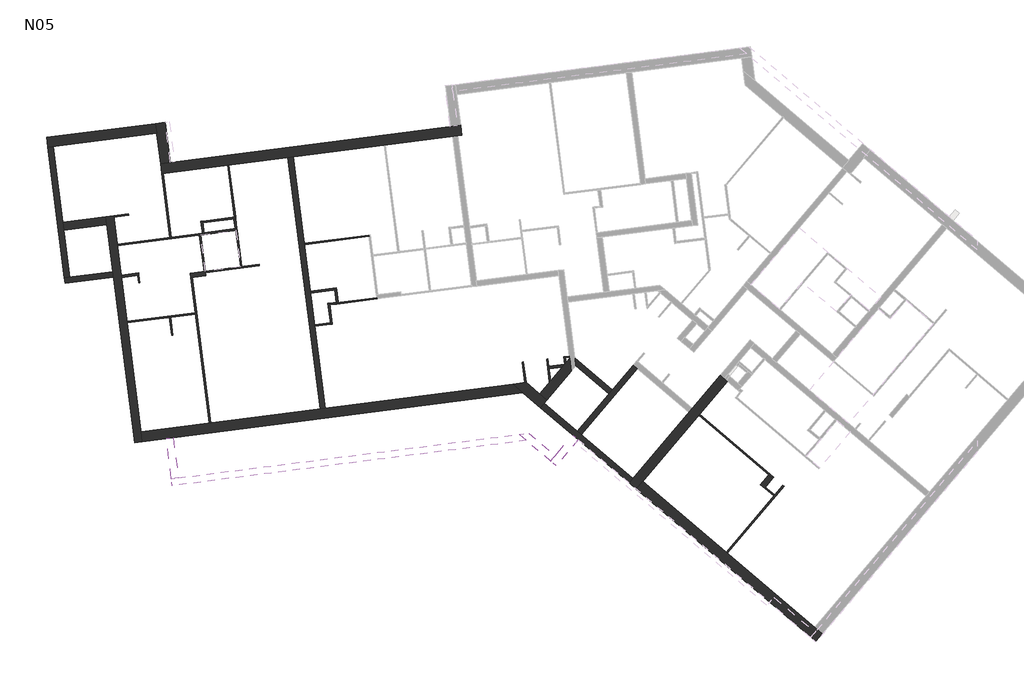
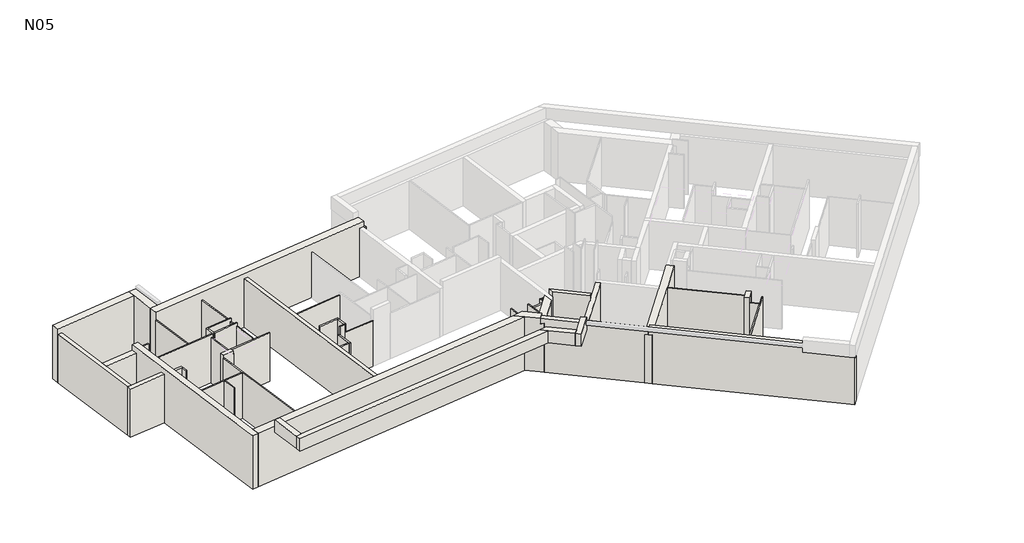
# One storey, part 1 of 3: 53 walls.
"""IFC4 building model written with IfcOpenShell, lengths in millimetres."""

from ifc_helpers import new_model, si_unit, frame, origin, place, context, project, spatial, polyline, outline, extrude, faceted_brep, element, save

model = new_model("IFC4")

# Units and contexts
model_context = context("Model", 3, world=origin())
ifc_project = project(units=[si_unit("LENGTHUNIT", "METRE", prefix="MILLI")], contexts=[model_context])

# Site, building, storey
site = spatial("IfcSite", under=ifc_project)
building = spatial("IfcBuilding", under=site)
storey = spatial("IfcBuildingStorey", under=building, Name="N05", Elevation=14150.0)

# Walls
placement = place(None, origin())
element("IfcWall", 1, at=placement, inside=storey, context=model_context, shape_type="Brep", body=[
    faceted_brep([(5758.2370181, 14194.8714572, 14150.0), (-1162.1110386, 13310.3917107, 14150.0), (-1360.4972796, 13285.0362502, 14150.0), (-7972.5911161, 12439.9540329, 14150.0), (-7972.5911161, 12439.9540329, 16920.0), (5758.2370181, 14194.8714572, 16920.0), (6140.2224716, 13870.6827304, 14150.0), (6140.2224716, 13870.6827304, 16920.0), (-7925.683514, 12072.939487, 16920.0), (-7925.683514, 12072.939487, 14150.0)], [[[0, 1, 2, 3, 4, 5]], [[6, 7, 8, 9]], [[3, 2, 1, 0, 6, 9]], [[5, 4, 8, 7]], [[0, 5, 7, 6]], [[4, 3, 9, 8]]]),
])
element("IfcWall", 2, at=placement, inside=storey, context=model_context, shape_type="Brep", body=[
    faceted_brep([(-7209.209497, 21973.6590063, 14150.0), (-6842.1949512, 22020.5666083, 14150.0), (-2547.1328334, 22569.5123292, 14150.0), (-2348.7465924, 22594.8677898, 14150.0), (3538.3651094, 23347.2910817, 14150.0), (3736.7513504, 23372.6465422, 14150.0), (3885.5410312, 23391.6631376, 14150.0), (3885.5410312, 23391.6631376, 16590.0), (3756.5899745, 23375.1820883, 16590.0), (3756.5899745, 23375.1820883, 16920.0), (-7209.209497, 21973.6590063, 16920.0), (-7256.1170991, 22340.6735521, 14150.0), (-7256.1170991, 22340.6735521, 16920.0), (-6889.1025532, 22387.5811542, 16920.0), (3709.6823725, 23742.1966341, 16920.0), (3709.6823725, 23742.1966341, 16590.0), (3838.6334292, 23758.6776835, 16590.0), (3838.6334292, 23758.6776835, 14150.0), (3471.6188833, 23711.7700815, 14150.0), (-6889.1025532, 22387.5811542, 14150.0)], [[[0, 1, 2, 3, 4, 5, 6, 7, 8, 9, 10]], [[11, 12, 13, 14, 15, 16, 17, 18, 19]], [[6, 5, 4, 3, 2, 1, 0, 11, 19, 18, 17]], [[10, 9, 14, 13, 12]], [[0, 10, 12, 11]], [[15, 8, 7, 16]], [[7, 6, 17, 16]], [[9, 8, 15, 14]]]),
])
element("IfcWall", 3, at=placement, inside=storey, context=model_context, shape_type="Brep", body=[
    faceted_brep([(17205.2980918, 4965.1106098, 14150.0), (17115.2550501, 5041.5295906, 14150.0), (16923.1988078, 5204.5265532, 14150.0), (10566.9673175, 10599.0214892, 14150.0), (10566.9673175, 10599.0214892, 16650.0), (10433.5419804, 10712.2587597, 16650.0), (10433.5419804, 10712.2587597, 16920.0), (15497.4537779, 6414.5476727, 16920.0), (17022.3147725, 5120.407438, 16920.0), (17022.3147725, 5120.407438, 16590.0), (17205.2980918, 4965.1106098, 16590.0), (17205.2980918, 4965.1106098, 14300.0), (10327.551374, 10316.9222052, 14150.0), (16683.7828644, 4922.4272692, 14150.0), (16965.8821484, 4683.0113258, 14150.0), (16965.8821484, 4683.0113258, 16590.0), (15258.0378346, 6132.4483886, 16590.0), (15258.0378346, 6132.4483886, 16920.0), (10194.126037, 10430.1594757, 16920.0), (10194.126037, 10430.1594757, 16650.0), (10327.551374, 10316.9222052, 16650.0), (10336.4814628, 10597.8941851, 16920.0), (15413.3346628, 6315.431708, 16920.0), (16938.1956572, 5021.2914733, 16920.0), (10336.4814628, 10597.8941851, 16650.0), (15413.3346628, 6315.431708, 16590.0), (16938.1956572, 5021.2914733, 16590.0)], [[[0, 1, 2, 3, 4, 5, 6, 7, 8, 9, 10, 11]], [[12, 13, 14, 15, 16, 17, 18, 19, 20]], [[3, 2, 1, 0, 14, 13, 12]], [[8, 7, 6, 21, 18, 17, 22, 23]], [[18, 21, 6, 5, 24, 19]], [[4, 3, 12, 20]], [[19, 24, 5, 4, 20]], [[25, 26, 23, 22]], [[25, 22, 17, 16]], [[9, 8, 23, 26]], [[15, 10, 9, 26, 25, 16]], [[14, 0, 11, 10, 15]]]),
])
element("IfcWall", 4, at=placement, inside=storey, context=model_context, shape_type="Brep", body=[
    faceted_brep([(10327.551374, 10316.9222052, 14150.0), (10566.9673175, 10599.0214892, 14150.0), (12637.5916931, 13038.7990805, 14150.0), (12669.945199, 13076.9206054, 14150.0), (13700.7356476, 14291.4815212, 14150.0), (13700.7356476, 14291.4815212, 16650.0), (12669.945199, 13076.9206054, 16650.0), (12637.5916931, 13038.7990805, 16650.0), (10566.9673175, 10599.0214892, 16650.0), (10327.551374, 10316.9222052, 16650.0), (13433.8849736, 14517.9560622, 14150.0), (12403.0945249, 13303.3951464, 14150.0), (12273.6805015, 13150.909047, 14150.0), (10203.0561258, 10711.1314557, 14150.0), (10060.7007, 10543.3967463, 14150.0), (10060.7007, 10543.3967463, 16650.0), (10203.0561258, 10711.1314557, 16650.0), (12273.6805015, 13150.909047, 16650.0), (12403.0945249, 13303.3951464, 16650.0), (13433.8849736, 14517.9560622, 16650.0), (10194.126037, 10430.1594757, 14150.0), (13586.371073, 14388.5420388, 14150.0), (13647.3655128, 14336.7764294, 14150.0), (13647.3655128, 14336.7764294, 16650.0), (10194.126037, 10430.1594757, 16650.0)], [[[0, 1, 2, 3, 4, 5, 6, 7, 8, 9]], [[10, 11, 12, 13, 14, 15, 16, 17, 18, 19]], [[4, 3, 2, 1, 0, 20, 14, 13, 12, 11, 10, 21, 22]], [[9, 8, 7, 6, 5, 23, 19, 18, 17, 16, 15, 24]], [[0, 9, 24, 15, 14, 20]], [[5, 4, 22, 21, 10, 19, 23]]]),
])
element("IfcWall", 5, at=placement, inside=storey, context=model_context, shape_type="SweptSolid", body=[
    extrude(outline(polyline([(8144.4937831, 12458.2207726), (10215.1181588, 14897.9983639), (10367.6042582, 14768.5843405), (8296.9798826, 12328.8067492), (8144.4937831, 12458.2207726)])), frame((0.0, 0.0, 14150.0), z_axis=(0.0, 0.0, 1.0), x_axis=(1.0, 0.0, 0.0)), (0.0, 0.0, 1.0), 2500.0),
])
element("IfcWall", 6, at=placement, inside=storey, context=model_context, shape_type="Brep", body=[
    faceted_brep([(7021.6826483, 13607.8829857, 14150.0), (7925.3724793, 14672.6836444, 14150.0), (7925.3724793, 14672.6836444, 16650.0), (7021.6826483, 13607.8829857, 16650.0), (6754.8319743, 13834.3575268, 14150.0), (6754.8319743, 13834.3575268, 16650.0), (7865.2890942, 15142.7881766, 16650.0), (7865.2890942, 15142.7881766, 14150.0), (7734.3217869, 14988.4718721, 14150.0), (7690.5124995, 14936.8522163, 14150.0), (7594.5428873, 14823.773035, 14150.0), (6888.2573113, 13721.1202563, 16650.0)], [[[0, 1, 2, 3]], [[4, 5, 6, 7, 8, 9, 10]], [[1, 0, 4, 10, 9, 8, 7]], [[3, 2, 6, 5, 11]], [[0, 3, 11, 5, 4]], [[1, 7, 6, 2]]]),
])
element("IfcWall", 7, at=placement, inside=storey, context=model_context, shape_type="Brep", body=[
    faceted_brep([(10203.0561258, 10711.1314557, 14150.0), (8296.9798826, 12328.8067492, 14150.0), (8144.4937831, 12458.2207726, 14150.0), (6924.6221307, 13493.5184111, 14150.0), (6924.6221307, 13493.5184111, 16650.0), (6791.1967937, 13606.7556817, 16650.0), (6791.1967937, 13606.7556817, 16920.0), (6924.6221307, 13493.5184111, 16920.0), (10302.1720905, 10627.0123404, 16920.0), (10336.4814628, 10597.8941851, 16920.0), (10336.4814628, 10597.8941851, 16650.0), (10203.0561258, 10711.1314557, 16650.0), (6782.2667049, 13325.7837017, 14150.0), (10060.7007, 10543.3967463, 14150.0), (10060.7007, 10543.3967463, 16650.0), (10194.126037, 10430.1594757, 16650.0), (10194.126037, 10430.1594757, 16920.0), (10159.8166646, 10459.277631, 16920.0), (6782.2667049, 13325.7837017, 16920.0), (6648.8413679, 13439.0209723, 16920.0), (6648.8413679, 13439.0209723, 16650.0), (6782.2667049, 13325.7837017, 16650.0)], [[[0, 1, 2, 3, 4, 5, 6, 7, 8, 9, 10, 11]], [[12, 13, 14, 15, 16, 17, 18, 19, 20, 21]], [[3, 2, 1, 0, 13, 12]], [[9, 8, 7, 6, 19, 18, 17, 16]], [[19, 6, 5, 20]], [[20, 5, 4, 21]], [[4, 3, 12, 21]], [[9, 16, 15, 10]], [[10, 15, 14, 11]], [[13, 0, 11, 14]]]),
])
element("IfcWall", 8, at=placement, inside=storey, context=model_context, shape_type="Brep", body=[
    faceted_brep([(7021.6826483, 13607.8829857, 14150.0), (6888.2573113, 13721.1202563, 14150.0), (6754.8319743, 13834.3575268, 14150.0), (6255.2046664, 14258.3881787, 14150.0), (6255.2046664, 14258.3881787, 16920.0), (6888.2573113, 13721.1202563, 16920.0), (6888.2573113, 13721.1202563, 16650.0), (7021.6826483, 13607.8829857, 16650.0), (6782.2667049, 13325.7837017, 14150.0), (6782.2667049, 13325.7837017, 16650.0), (6648.8413679, 13439.0209723, 16650.0), (6648.8413679, 13439.0209723, 16920.0), (6140.2224716, 13870.6827304, 16920.0), (5758.2370181, 14194.8714572, 16920.0), (5758.2370181, 14194.8714572, 14150.0), (6140.2224716, 13870.6827304, 14150.0), (6648.8413679, 13439.0209723, 14150.0), (6924.6221307, 13493.5184111, 14150.0), (6791.1967937, 13606.7556817, 16920.0), (6791.1967937, 13606.7556817, 16650.0), (6924.6221307, 13493.5184111, 16650.0)], [[[0, 1, 2, 3, 4, 5, 6, 7]], [[8, 9, 10, 11, 12, 13, 14, 15, 16]], [[3, 2, 1, 0, 17, 8, 16, 15, 14]], [[5, 4, 13, 12, 11, 18]], [[6, 5, 18, 11, 10, 19]], [[6, 19, 10, 9, 20, 7]], [[0, 7, 20, 9, 8, 17]], [[4, 3, 14, 13]]]),
])
element("IfcWall", 9, at=placement, inside=storey, context=model_context, shape_type="Brep", body=[
    faceted_brep([(8089.348342, 14865.8933062, 14150.0), (9309.2199944, 13830.5956677, 14150.0), (9309.2199944, 13830.5956677, 16920.0), (8089.348342, 14865.8933062, 16920.0), (8066.276266, 15147.7934292, 14150.0), (8066.276266, 15147.7934292, 16920.0), (9438.6340179, 13983.0817672, 16920.0), (9438.6340179, 13983.0817672, 14150.0), (8100.609629, 14879.1622679, 14150.0), (8100.609629, 14879.1622679, 16920.0), (8100.609629, 14879.1622679, 16650.0)], [[[0, 1, 2, 3]], [[4, 5, 6, 7]], [[1, 0, 8, 4, 7]], [[3, 2, 6, 5, 9]], [[2, 1, 7, 6]], [[0, 3, 9, 10, 8]], [[9, 5, 4, 8, 10]]]),
])
element("IfcWall", 10, at=placement, inside=storey, context=model_context, shape_type="Brep", body=[
    faceted_brep([(5996.4358323, 12340.1039215, 16590.0), (-6597.3795676, 10730.5064617, 16590.0), (-6855.2816809, 10697.544363, 16590.0), (-6855.2816809, 10697.544363, 17230.0), (-6597.3795676, 10730.5064617, 17230.0), (5996.4358323, 12340.1039215, 17230.0), (6264.8580429, 12112.2956269, 16590.0), (6264.8580429, 12112.2956269, 17230.0), (-6822.3195822, 10439.6422497, 17230.0), (-6822.3195822, 10439.6422497, 16590.0)], [[[0, 1, 2, 3, 4, 5]], [[6, 7, 8, 9]], [[2, 1, 0, 6, 9]], [[5, 4, 3, 8, 7]], [[3, 2, 9, 8]], [[0, 5, 7, 6]]]),
])
element("IfcWall", 11, at=placement, inside=storey, context=model_context, shape_type="SweptSolid", body=[
    extrude(outline(polyline([(-6787.5455217, 12218.4032693), (-6597.3795676, 10730.5064617), (-6855.2816809, 10697.544363), (-7045.447635, 12185.4411706), (-6787.5455217, 12218.4032693)])), frame((0.0, 0.0, 16590.0), z_axis=(0.0, 0.0, 1.0), x_axis=(1.0, 0.0, 0.0)), (0.0, 0.0, 1.0), 640.0),
])
element("IfcWall", 12, at=placement, inside=storey, context=model_context, shape_type="Brep", body=[
    faceted_brep([(-11422.5288425, 22947.3623567, 14150.0), (-10805.8258082, 18122.1533431, 14150.0), (-10805.8258082, 18122.1533431, 16650.0), (-11422.5288425, 22947.3623567, 16650.0), (-11224.1426015, 22972.7178173, 14150.0), (-11224.1426015, 22972.7178173, 16650.0), (-10866.6306077, 20175.4718191, 16650.0), (-10829.8651899, 19887.8117696, 16650.0), (-10607.4395672, 18147.5088036, 16650.0), (-10607.4395672, 18147.5088036, 15950.0), (-10607.4395672, 18147.5088036, 14150.0), (-10829.8651899, 19887.8117696, 14150.0), (-10866.6306077, 20175.4718191, 14150.0)], [[[0, 1, 2, 3]], [[4, 5, 6, 7, 8, 9, 10, 11, 12]], [[1, 0, 4, 12, 11, 10]], [[3, 2, 8, 7, 6, 5]], [[0, 3, 5, 4]], [[2, 1, 10, 9, 8]]]),
])
element("IfcWall", 13, at=placement, inside=storey, context=model_context, shape_type="Brep", body=[
    faceted_brep([(-9279.5406797, 20378.3155035, 14150.0), (-9242.7752619, 20090.655454, 14150.0), (-9020.3496391, 18350.352488, 14150.0), (-8994.9941786, 18151.966247, 14150.0), (-8213.3435635, 12036.1740692, 14150.0), (-8213.3435635, 12036.1740692, 16920.0), (-8260.2511655, 12403.1886151, 16920.0), (-9279.5406797, 20378.3155035, 16920.0), (-9279.5406797, 20378.3155035, 16650.0), (-8991.8806302, 20415.0809213, 14150.0), (-8991.8806302, 20415.0809213, 16650.0), (-8991.8806302, 20415.0809213, 16920.0), (-7972.5911161, 12439.9540329, 16920.0), (-7925.683514, 12072.939487, 16920.0), (-7925.683514, 12072.939487, 14150.0), (-7972.5911161, 12439.9540329, 14150.0), (-8985.5417651, 20365.484361, 14150.0)], [[[0, 1, 2, 3, 4, 5, 6, 7, 8]], [[9, 10, 11, 12, 13, 14, 15, 16]], [[4, 3, 2, 1, 0, 9, 16, 15, 14]], [[7, 6, 5, 13, 12, 11]], [[5, 4, 14, 13]], [[0, 8, 7, 11, 10, 9]]]),
])
element("IfcWall", 14, at=placement, inside=storey, context=model_context, shape_type="Brep", body=[
    faceted_brep([(-6889.1025532, 22387.5811542, 14150.0), (-7032.3609053, 23508.4634158, 14150.0), (-7079.2685073, 23875.4779617, 14150.0), (-7079.2685073, 23875.4779617, 16920.0), (-6889.1025532, 22387.5811542, 16920.0), (-7256.1170991, 22340.6735521, 14150.0), (-7256.1170991, 22340.6735521, 16650.0), (-7256.1170991, 22340.6735521, 16920.0), (-7399.3754512, 23461.5558138, 16920.0), (-7446.2830532, 23828.5703597, 16920.0), (-7446.2830532, 23828.5703597, 14150.0), (-7399.3754512, 23461.5558138, 14150.0), (-6908.9411773, 22385.0456081, 16920.0)], [[[0, 1, 2, 3, 4]], [[5, 6, 7, 8, 9, 10, 11]], [[2, 1, 0, 5, 11, 10]], [[4, 3, 9, 8, 7, 12]], [[2, 10, 9, 3]], [[0, 4, 12, 7, 6, 5]]]),
])
element("IfcWall", 15, at=placement, inside=storey, context=model_context, shape_type="Brep", body=[
    faceted_brep([(-11422.5288425, 22947.3623567, 16920.0), (-11422.5288425, 22947.3623567, 16650.0), (-11422.5288425, 22947.3623567, 14150.0), (-11224.1426015, 22972.7178173, 14150.0), (-7399.3754512, 23461.5558138, 14150.0), (-7399.3754512, 23461.5558138, 16920.0), (-11469.4364445, 23314.3769026, 14150.0), (-11469.4364445, 23314.3769026, 14460.0), (-11469.4364445, 23314.3769026, 16920.0), (-7446.2830532, 23828.5703597, 16920.0), (-7446.2830532, 23828.5703597, 14150.0)], [[[0, 1, 2, 3, 4, 5]], [[6, 7, 8, 9, 10]], [[4, 3, 2, 6, 10]], [[0, 5, 9, 8]], [[5, 4, 10, 9]], [[0, 8, 7, 6, 2, 1]]]),
])
element("IfcWall", 16, at=placement, inside=storey, context=model_context, shape_type="Brep", body=[
    faceted_brep([(-10780.4703476, 17923.7671021, 14150.0), (-8994.9941786, 18151.966247, 14150.0), (-8994.9941786, 18151.966247, 16650.0), (-10780.4703476, 17923.7671021, 16650.0), (-10805.8258082, 18122.1533431, 14150.0), (-10805.8258082, 18122.1533431, 16650.0), (-10607.4395672, 18147.5088036, 16650.0), (-9020.3496391, 18350.352488, 16650.0), (-9020.3496391, 18350.352488, 14150.0), (-10607.4395672, 18147.5088036, 14150.0)], [[[0, 1, 2, 3]], [[4, 5, 6, 7, 8, 9]], [[1, 0, 4, 9, 8]], [[3, 2, 7, 6, 5]], [[0, 3, 5, 4]], [[2, 1, 8, 7]]]),
])
element("IfcWall", 17, at=placement, inside=storey, context=model_context, shape_type="Brep", body=[
    faceted_brep([(-1162.1110386, 13310.3917107, 14150.0), (-1547.514039, 16325.862574, 14150.0), (-1556.3884502, 16395.2977584, 14150.0), (-1705.3517809, 17560.8169243, 14150.0), (-1714.2261921, 17630.2521086, 14150.0), (-1934.1848124, 19351.2527494, 14150.0), (-1940.5236775, 19400.8493096, 14150.0), (-2348.7465924, 22594.8677898, 14150.0), (-2348.7465924, 22594.8677898, 16650.0), (-1162.1110386, 13310.3917107, 16650.0), (-1360.4972796, 13285.0362502, 14150.0), (-1360.4972796, 13285.0362502, 16650.0), (-2547.1328334, 22569.5123292, 16650.0), (-2547.1328334, 22569.5123292, 14150.0)], [[[0, 1, 2, 3, 4, 5, 6, 7, 8, 9]], [[10, 11, 12, 13]], [[7, 6, 5, 4, 3, 2, 1, 0, 10, 13]], [[9, 8, 12, 11]], [[8, 7, 13, 12]], [[0, 9, 11, 10]]]),
])
element("IfcWall", 18, at=placement, inside=storey, context=model_context, shape_type="Brep", body=[
    faceted_brep([(7979.2654424, 12309.8981668, 17230.0), (7979.2654424, 12309.8981668, 16590.0), (7332.195325, 11547.4676695, 16590.0), (7163.9570945, 11349.2357402, 16590.0), (7163.9570945, 11349.2357402, 17230.0), (7332.195325, 11547.4676695, 17230.0), (8177.4973717, 12141.6599362, 16590.0), (8177.4973717, 12141.6599362, 17230.0), (7362.1890238, 11180.9975097, 17230.0), (7362.1890238, 11180.9975097, 16590.0)], [[[0, 1, 2, 3, 4, 5]], [[6, 7, 8, 9]], [[3, 2, 1, 6, 9]], [[0, 5, 4, 8, 7]], [[0, 7, 6, 1]], [[4, 3, 9, 8]]]),
])
element("IfcWall", 19, at=placement, inside=storey, context=model_context, shape_type="Brep", body=[
    faceted_brep([(5996.4358323, 12340.1039215, 16590.0), (6264.8580429, 12112.2956269, 16590.0), (7163.9570945, 11349.2357402, 16590.0), (7163.9570945, 11349.2357402, 17230.0), (6264.8580429, 12112.2956269, 17230.0), (5996.4358323, 12340.1039215, 17230.0), (6345.6563419, 12384.7372933, 16590.0), (6345.6563419, 12384.7372933, 17230.0), (7332.195325, 11547.4676695, 17230.0), (7332.195325, 11547.4676695, 16590.0)], [[[0, 1, 2, 3, 4, 5]], [[6, 7, 8, 9]], [[2, 1, 0, 6, 9]], [[5, 4, 3, 8, 7]], [[3, 2, 9, 8]], [[0, 5, 7, 6]]]),
])
element("IfcWall", 20, at=placement, inside=storey, context=model_context, shape_type="SweptSolid", body=[
    extrude(outline(polyline([(-9242.7752619, 20090.655454), (-10829.8651899, 19887.8117696), (-10866.6306077, 20175.4718191), (-9279.5406797, 20378.3155035), (-9242.7752619, 20090.655454)])), frame((0.0, 0.0, 14150.0), z_axis=(0.0, 0.0, 1.0), x_axis=(1.0, 0.0, 0.0)), (0.0, 0.0, 1.0), 2500.0),
])
element("IfcWall", 21, ObjectType="CLO 10", at=placement, inside=storey, context=model_context, shape_type="Brep", body=[
    faceted_brep([(-8699.616304, 18128.3458433, 14150.0), (-8104.457581, 18204.4122249, 14150.0), (-8054.8610207, 18210.7510901, 14150.0), (-8054.8610207, 18210.7510901, 16650.0), (-8104.457581, 18204.4122249, 16650.0), (-8699.616304, 18128.3458433, 16650.0), (-8712.2940343, 18227.5389638, 14150.0), (-8712.2940343, 18227.5389638, 16650.0), (-8067.538751, 18309.9442106, 16650.0), (-8067.538751, 18309.9442106, 14150.0)], [[[0, 1, 2, 3, 4, 5]], [[6, 7, 8, 9]], [[2, 1, 0, 6, 9]], [[5, 4, 3, 8, 7]], [[0, 5, 7, 6]], [[3, 2, 9, 8]]]),
])
element("IfcWall", 22, ObjectType="CLO 10", at=placement, inside=storey, context=model_context, shape_type="SweptSolid", body=[
    extrude(outline(polyline([(7095.3537765, 14860.7858346), (7690.5124995, 14936.8522163), (7594.5428873, 14823.773035), (7108.0315067, 14761.5927141), (7095.3537765, 14860.7858346)])), frame((0.0, 0.0, 14150.0), z_axis=(0.0, 0.0, 1.0), x_axis=(1.0, 0.0, 0.0)), (0.0, 0.0, 1.0), 2350.0),
])
element("IfcWall", 23, ObjectType="CLO 5", at=placement, inside=storey, context=model_context, shape_type="Brep", body=[
    faceted_brep([(12637.5916931, 13038.7990805, 14150.0), (15224.3160244, 10843.461902, 14150.0), (15376.8021239, 10714.0478785, 14150.0), (15376.8021239, 10714.0478785, 16650.0), (12637.5916931, 13038.7990805, 16650.0), (12669.945199, 13076.9206054, 14150.0), (12669.945199, 13076.9206054, 16650.0), (15409.1556298, 10752.1694034, 16650.0), (15409.1556298, 10752.1694034, 14150.0)], [[[0, 1, 2, 3, 4]], [[5, 6, 7, 8]], [[2, 1, 0, 5, 8]], [[3, 2, 8, 7]], [[4, 3, 7, 6]], [[0, 4, 6, 5]]]),
])
element("IfcWall", 24, ObjectType="CLO 5", at=placement, inside=storey, context=model_context, shape_type="Brep", body=[
    faceted_brep([(15752.2493535, 10460.9878505, 14150.0), (15444.345504, 10098.1905604, 14150.0), (15411.9919981, 10060.0690355, 14150.0), (13649.271472, 7983.0887344, 14150.0), (13649.271472, 7983.0887344, 16650.0), (15411.9919981, 10060.0690355, 16650.0), (15444.345504, 10098.1905604, 16650.0), (15752.2493535, 10460.9878505, 16650.0), (15790.3708784, 10428.6343447, 14150.0), (15790.3708784, 10428.6343447, 16650.0), (13687.3929969, 7950.7352285, 16650.0), (13687.3929969, 7950.7352285, 14150.0)], [[[0, 1, 2, 3, 4, 5, 6, 7]], [[8, 9, 10, 11]], [[3, 2, 1, 0, 8, 11]], [[4, 3, 11, 10]], [[7, 6, 5, 4, 10, 9]], [[0, 7, 9, 8]]]),
])
element("IfcWall", 25, ObjectType="CLO 5", at=placement, inside=storey, context=model_context, shape_type="SweptSolid", body=[
    extrude(outline(polyline([(-8070.2277092, 17936.5907996), (-8104.457581, 18204.4122249), (-8054.8610207, 18210.7510901), (-8020.631149, 17942.9296647), (-8070.2277092, 17936.5907996)])), frame((0.0, 0.0, 14150.0), z_axis=(0.0, 0.0, 1.0), x_axis=(1.0, 0.0, 0.0)), (0.0, 0.0, 1.0), 2500.0),
])
element("IfcWall", 26, ObjectType="CLO 5", at=placement, inside=storey, context=model_context, shape_type="Brep", body=[
    faceted_brep([(-3604.7314669, 18618.2142485, 14150.0), (-4249.4867502, 18535.8090017, 14150.0), (-4299.0833104, 18529.4701366, 14150.0), (-5598.5130803, 18363.3918839, 14150.0), (-5598.5130803, 18363.3918839, 16500.0), (-5623.3113604, 18360.2224513, 16500.0), (-5623.3113604, 18360.2224513, 16650.0), (-3604.7314669, 18618.2142485, 16650.0), (-3598.3926018, 18568.6176883, 14150.0), (-3598.3926018, 18568.6176883, 16650.0), (-5616.9724953, 18310.625891, 16650.0), (-5616.9724953, 18310.625891, 16500.0), (-5592.1742151, 18313.7953236, 16500.0), (-5592.1742151, 18313.7953236, 14150.0)], [[[0, 1, 2, 3, 4, 5, 6, 7]], [[8, 9, 10, 11, 12, 13]], [[3, 2, 1, 0, 8, 13]], [[7, 6, 10, 9]], [[0, 7, 9, 8]], [[6, 5, 11, 10]], [[11, 5, 4, 12]], [[4, 3, 13, 12]]]),
])
element("IfcWall", 27, ObjectType="CLO 5", at=placement, inside=storey, context=model_context, shape_type="Brep", body=[
    faceted_brep([(-8851.1578242, 19314.0372837, 14150.0), (-5819.9355291, 19701.453452, 14150.0), (-5770.3389689, 19707.7923171, 14150.0), (-5700.9037845, 19716.6667283, 14150.0), (-5700.9037845, 19716.6667283, 16650.0), (-8851.1578242, 19314.0372837, 16650.0), (-8857.4966893, 19363.633844, 14150.0), (-8857.4966893, 19363.633844, 16650.0), (-5707.2426497, 19766.2632885, 16650.0), (-5707.2426497, 19766.2632885, 14150.0), (-6857.8829562, 19619.2016035, 14150.0), (-6907.4795165, 19612.8627383, 14150.0)], [[[0, 1, 2, 3, 4, 5]], [[6, 7, 8, 9, 10, 11]], [[3, 2, 1, 0, 6, 11, 10, 9]], [[5, 4, 8, 7]], [[0, 5, 7, 6]], [[4, 3, 9, 8]]]),
])
element("IfcWall", 28, ObjectType="CLO 5", at=placement, inside=storey, context=model_context, shape_type="Brep", body=[
    faceted_brep([(-5819.9355291, 19701.453452, 14150.0), (-5648.1096405, 18357.0530187, 14150.0), (-5648.1096405, 18357.0530187, 16500.0), (-5819.9355291, 19701.453452, 16500.0), (-5770.3389689, 19707.7923171, 14150.0), (-5770.3389689, 19707.7923171, 16500.0), (-5598.5130803, 18363.3918839, 16500.0), (-5598.5130803, 18363.3918839, 14150.0), (-5623.3113604, 18360.2224513, 16500.0)], [[[0, 1, 2, 3]], [[4, 5, 6, 7]], [[1, 0, 4, 7]], [[3, 2, 8, 6, 5]], [[0, 3, 5, 4]], [[2, 1, 7, 6, 8]]]),
])
element("IfcWall", 29, ObjectType="CLO 5", at=placement, inside=storey, context=model_context, shape_type="SweptSolid", body=[
    extrude(outline(polyline([(-6907.4795165, 19612.8627383), (-7209.209497, 21973.6590063), (-7159.6129368, 21979.9978714), (-6857.8829562, 19619.2016035), (-6907.4795165, 19612.8627383)])), frame((0.0, 0.0, 14150.0), z_axis=(0.0, 0.0, 1.0), x_axis=(1.0, 0.0, 0.0)), (0.0, 0.0, 1.0), 2350.0),
])
element("IfcWall", 30, ObjectType="CLO 5", at=placement, inside=storey, context=model_context, shape_type="Brep", body=[
    faceted_brep([(-8486.6304354, 16461.9014188, 14150.0), (-6933.3857445, 16660.4193921, 14150.0), (-6883.7891843, 16666.7582572, 14150.0), (-5961.2931636, 16784.6611488, 14150.0), (-5961.2931636, 16784.6611488, 16500.0), (-6883.7891843, 16666.7582572, 16500.0), (-6933.3857445, 16660.4193921, 16500.0), (-8486.6304354, 16461.9014188, 16500.0), (-8492.9693005, 16511.4979791, 14150.0), (-8492.9693005, 16511.4979791, 16500.0), (-5967.6320288, 16834.257709, 16500.0), (-5967.6320288, 16834.257709, 14150.0)], [[[0, 1, 2, 3, 4, 5, 6, 7]], [[8, 9, 10, 11]], [[3, 2, 1, 0, 8, 11]], [[7, 6, 5, 4, 10, 9]], [[0, 7, 9, 8]], [[4, 3, 11, 10]]]),
])
element("IfcWall", 31, ObjectType="CLO 5", at=placement, inside=storey, context=model_context, shape_type="Brep", body=[
    faceted_brep([(-6133.7102954, 18133.6875876, 14150.0), (-5967.6320288, 16834.257709, 14150.0), (-5961.2931636, 16784.6611488, 14150.0), (-5447.2538443, 12762.7137628, 14150.0), (-5447.2538443, 12762.7137628, 16500.0), (-5961.2931636, 16784.6611488, 16500.0), (-5967.6320288, 16834.257709, 16500.0), (-6133.7102954, 18133.6875876, 16500.0), (-6084.1137351, 18140.0264528, 14150.0), (-6084.1137351, 18140.0264528, 16500.0), (-5397.6572841, 12769.052628, 16500.0), (-5397.6572841, 12769.052628, 14150.0)], [[[0, 1, 2, 3, 4, 5, 6, 7]], [[8, 9, 10, 11]], [[3, 2, 1, 0, 8, 11]], [[4, 3, 11, 10]], [[7, 6, 5, 4, 10, 9]], [[0, 7, 9, 8]]]),
])
element("IfcWall", 32, ObjectType="CLO 5", at=placement, inside=storey, context=model_context, shape_type="Brep", body=[
    faceted_brep([(-6933.3857445, 16660.4193921, 14150.0), (-6848.4449517, 15995.8254847, 14150.0), (-6848.4449517, 15995.8254847, 16500.0), (-6933.3857445, 16660.4193921, 16500.0), (-6883.7891843, 16666.7582572, 14150.0), (-6883.7891843, 16666.7582572, 16250.0), (-6883.7891843, 16666.7582572, 16500.0), (-6798.8483914, 16002.1643499, 16500.0), (-6798.8483914, 16002.1643499, 14150.0)], [[[0, 1, 2, 3]], [[4, 5, 6, 7, 8]], [[1, 0, 4, 8]], [[2, 1, 8, 7]], [[3, 2, 7, 6]], [[0, 3, 6, 5, 4]]]),
])
element("IfcWall", 33, ObjectType="CLO 5", at=placement, inside=storey, context=model_context, shape_type="SweptSolid", body=[
    extrude(outline(polyline([(-4421.3126388, 19880.209435), (-4249.4867502, 18535.8090017), (-4299.0833104, 18529.4701366), (-4470.909199, 19873.8705698), (-4421.3126388, 19880.209435)])), frame((0.0, 0.0, 14150.0), z_axis=(0.0, 0.0, 1.0), x_axis=(1.0, 0.0, 0.0)), (0.0, 0.0, 1.0), 2350.0),
])
element("IfcWall", 34, ObjectType="CLO 5", at=placement, inside=storey, context=model_context, shape_type="SweptSolid", body=[
    extrude(outline(polyline([(-8439.9796023, 20435.2118776), (-8985.5417651, 20365.484361), (-8991.8806302, 20415.0809213), (-8446.3184675, 20484.8084378), (-8439.9796023, 20435.2118776)])), frame((0.0, 0.0, 14150.0), z_axis=(0.0, 0.0, 1.0), x_axis=(1.0, 0.0, 0.0)), (0.0, 0.0, 1.0), 2500.0),
])
element("IfcWall", 35, ObjectType="CLO 5", at=placement, inside=storey, context=model_context, shape_type="SweptSolid", body=[
    extrude(outline(polyline([(15411.9919981, 10060.0690355), (15068.8982743, 10351.2505884), (15101.2517802, 10389.3721132), (15444.345504, 10098.1905604), (15411.9919981, 10060.0690355)])), frame((0.0, 0.0, 14150.0), z_axis=(0.0, 0.0, 1.0), x_axis=(1.0, 0.0, 0.0)), (0.0, 0.0, 1.0), 2500.0),
])
element("IfcWall", 36, ObjectType="CLO 5", at=placement, inside=storey, context=model_context, shape_type="Brep", body=[
    faceted_brep([(7011.5273445, 15122.2683948, 14150.0), (7118.0981267, 14288.4370852, 14150.0), (7118.0981267, 14288.4370852, 16500.0), (7011.5273445, 15122.2683948, 16500.0), (7061.1239047, 15128.60726, 14150.0), (7061.1239047, 15128.60726, 16500.0), (7095.3537765, 14860.7858346, 16500.0), (7108.0315067, 14761.5927141, 16500.0), (7167.6946869, 14294.7759503, 16500.0), (7167.6946869, 14294.7759503, 14150.0), (7108.0315067, 14761.5927141, 14150.0), (7095.3537765, 14860.7858346, 14150.0)], [[[0, 1, 2, 3]], [[4, 5, 6, 7, 8, 9, 10, 11]], [[1, 0, 4, 11, 10, 9]], [[2, 1, 9, 8]], [[3, 2, 8, 7, 6, 5]], [[0, 3, 5, 4]]]),
])
element("IfcWall", 37, ObjectType="CLO 5", at=placement, inside=storey, context=model_context, shape_type="SweptSolid", body=[
    extrude(outline(polyline([(6158.7239449, 15013.2728171), (6255.2046664, 14258.3881787), (6205.6081061, 14252.0493135), (6109.1273846, 15006.9339519), (6158.7239449, 15013.2728171)])), frame((0.0, 0.0, 14150.0), z_axis=(0.0, 0.0, 1.0), x_axis=(1.0, 0.0, 0.0)), (0.0, 0.0, 1.0), 2500.0),
])
element("IfcWall", 38, ObjectType="CLO 5", at=placement, inside=storey, context=model_context, shape_type="Brep", body=[
    faceted_brep([(7734.3217869, 14988.4718721, 14150.0), (7712.2180531, 15161.4159465, 14150.0), (7705.879188, 15211.0125068, 14150.0), (7705.879188, 15211.0125068, 16500.0), (7712.2180531, 15161.4159465, 16500.0), (7734.3217869, 14988.4718721, 16500.0), (7690.5124995, 14936.8522163, 14150.0), (7690.5124995, 14936.8522163, 16500.0), (7656.2826277, 15204.6736416, 16500.0), (7656.2826277, 15204.6736416, 14150.0)], [[[0, 1, 2, 3, 4, 5]], [[6, 7, 8, 9]], [[2, 1, 0, 6, 9]], [[5, 4, 3, 8, 7]], [[3, 2, 9, 8]], [[0, 5, 7, 6]]]),
])
element("IfcWall", 39, ObjectType="CLO 5", at=placement, inside=storey, context=model_context, shape_type="SweptSolid", body=[
    extrude(outline(polyline([(7860.4863389, 15180.3659032), (7712.2180531, 15161.4159465), (7705.879188, 15211.0125068), (7854.1474738, 15229.9624634), (7860.4863389, 15180.3659032)])), frame((0.0, 0.0, 14150.0), z_axis=(0.0, 0.0, 1.0), x_axis=(1.0, 0.0, 0.0)), (0.0, 0.0, 1.0), 2350.0),
])
element("IfcWall", 40, ObjectType="CLO 5", at=placement, inside=storey, context=model_context, shape_type="SweptSolid", body=[
    extrude(outline(polyline([(451.4097357, 19656.1521625), (-1934.1848124, 19351.2527494), (-1940.5236775, 19400.8493096), (445.0708706, 19705.7487227), (451.4097357, 19656.1521625)])), frame((0.0, 0.0, 14150.0), z_axis=(0.0, 0.0, 1.0), x_axis=(1.0, 0.0, 0.0)), (0.0, 0.0, 1.0), 2350.0),
])
element("IfcWall", 41, ObjectType="CLO 5", at=placement, inside=storey, context=model_context, shape_type="Brep", body=[
    faceted_brep([(740.461986, 17394.549015, 14150.0), (-682.9592932, 17212.6235856, 14150.0), (-752.3944776, 17203.7491744, 14150.0), (-752.3944776, 17203.7491744, 16500.0), (740.461986, 17394.549015, 16500.0), (746.8008511, 17344.9524548, 14150.0), (746.8008511, 17344.9524548, 16500.0), (-746.0556124, 17154.1526141, 16500.0), (-746.0556124, 17154.1526141, 14150.0)], [[[0, 1, 2, 3, 4]], [[5, 6, 7, 8]], [[2, 1, 0, 5, 8]], [[4, 3, 7, 6]], [[0, 4, 6, 5]], [[3, 2, 8, 7]]]),
])
element("IfcWall", 42, ObjectType="CLO 5", at=placement, inside=storey, context=model_context, shape_type="SweptSolid", body=[
    extrude(outline(polyline([(-4729.3814845, 22290.6022632), (-4484.7012902, 20376.1750375), (-4534.2978504, 20369.8361723), (-4778.9780447, 22284.263398), (-4729.3814845, 22290.6022632)])), frame((0.0, 0.0, 14150.0), z_axis=(0.0, 0.0, 1.0), x_axis=(1.0, 0.0, 0.0)), (0.0, 0.0, 1.0), 2350.0),
])
element("IfcWall", 43, ObjectType="CLO 7", at=placement, inside=storey, context=model_context, shape_type="Brep", body=[
    faceted_brep([(-1072.3480093, 17183.0190616, 14150.0), (-981.0683513, 16468.828594, 14150.0), (-972.1939401, 16399.3934096, 14150.0), (-972.1939401, 16399.3934096, 16500.0), (-981.0683513, 16468.828594, 16500.0), (-1072.3480093, 17183.0190616, 16500.0), (-1002.9128249, 17191.8934728, 14150.0), (-1002.9128249, 17191.8934728, 16500.0), (-902.7587557, 16408.2678208, 16500.0), (-902.7587557, 16408.2678208, 14150.0), (-994.0384137, 17122.4582884, 14150.0)], [[[0, 1, 2, 3, 4, 5]], [[6, 7, 8, 9, 10]], [[2, 1, 0, 6, 10, 9]], [[5, 4, 3, 8, 7]], [[3, 2, 9, 8]], [[0, 5, 7, 6]]]),
])
element("IfcWall", 44, ObjectType="CLO 7", at=placement, inside=storey, context=model_context, shape_type="SweptSolid", body=[
    extrude(outline(polyline([(-1556.3884502, 16395.2977584), (-981.0683513, 16468.828594), (-972.1939401, 16399.3934096), (-1547.514039, 16325.862574), (-1556.3884502, 16395.2977584)])), frame((0.0, 0.0, 14150.0), z_axis=(0.0, 0.0, 1.0), x_axis=(1.0, 0.0, 0.0)), (0.0, 0.0, 1.0), 2350.0),
])
element("IfcWall", 45, ObjectType="CLO 7", at=placement, inside=storey, context=model_context, shape_type="Brep", body=[
    faceted_brep([(-5631.4686002, 19725.5411395, 14150.0), (-5640.3430114, 19794.9763238, 14150.0), (-5685.9828404, 20152.0715577, 14150.0), (-5694.8572516, 20221.506742, 14150.0), (-5694.8572516, 20221.506742, 16650.0), (-5685.9828404, 20152.0715577, 16650.0), (-5640.3430114, 19794.9763238, 16650.0), (-5631.4686002, 19725.5411395, 16650.0), (-5700.9037845, 19716.6667283, 14150.0), (-5700.9037845, 19716.6667283, 16650.0), (-5707.2426497, 19766.2632885, 16650.0), (-5764.2924359, 20212.6323308, 16650.0), (-5764.2924359, 20212.6323308, 14150.0), (-5707.2426497, 19766.2632885, 14150.0)], [[[0, 1, 2, 3, 4, 5, 6, 7]], [[8, 9, 10, 11, 12, 13]], [[3, 2, 1, 0, 8, 13, 12]], [[7, 6, 5, 4, 11, 10, 9]], [[0, 7, 9, 8]], [[4, 3, 12, 11]]]),
])
element("IfcWall", 46, ObjectType="CLO 7", at=placement, inside=storey, context=model_context, shape_type="Brep", body=[
    faceted_brep([(-5685.9828404, 20152.0715577, 14150.0), (-4545.2620633, 20297.8654419, 14150.0), (-4475.826879, 20306.7398531, 14150.0), (-4475.826879, 20306.7398531, 16500.0), (-4475.826879, 20306.7398531, 16650.0), (-5685.9828404, 20152.0715577, 16650.0), (-5694.8572516, 20221.506742, 14150.0), (-5694.8572516, 20221.506742, 16650.0), (-4484.7012902, 20376.1750375, 16650.0), (-4484.7012902, 20376.1750375, 16500.0), (-4484.7012902, 20376.1750375, 14150.0), (-4534.2978504, 20369.8361723, 14150.0)], [[[0, 1, 2, 3, 4, 5]], [[6, 7, 8, 9, 10, 11]], [[2, 1, 0, 6, 11, 10]], [[5, 4, 8, 7]], [[4, 3, 2, 10, 9, 8]], [[0, 5, 7, 6]]]),
])
element("IfcWall", 47, ObjectType="CLO 7", at=placement, inside=storey, context=model_context, shape_type="Brep", body=[
    faceted_brep([(-994.0384137, 17122.4582884, 14150.0), (-746.0556124, 17154.1526141, 14150.0), (-746.0556124, 17154.1526141, 16500.0), (-746.0556124, 17154.1526141, 16920.0), (-994.0384137, 17122.4582884, 16920.0), (-1002.9128249, 17191.8934728, 14150.0), (-1002.9128249, 17191.8934728, 16500.0), (-1002.9128249, 17191.8934728, 16920.0), (-754.9300236, 17223.5877985, 16920.0), (-754.9300236, 17223.5877985, 14150.0), (-752.3944776, 17203.7491744, 14150.0), (-752.3944776, 17203.7491744, 16920.0)], [[[0, 1, 2, 3, 4]], [[5, 6, 7, 8, 9]], [[1, 0, 5, 9, 10]], [[4, 3, 11, 8, 7]], [[0, 4, 7, 6, 5]], [[3, 2, 1, 10, 9, 8, 11]]]),
])
element("IfcWall", 48, ObjectType="CLO 7", at=placement, inside=storey, context=model_context, shape_type="Brep", body=[
    faceted_brep([(-1705.3517809, 17560.8169243, 14150.0), (-812.6136964, 17674.9164968, 14150.0), (-743.178512, 17683.790908, 14150.0), (-743.178512, 17683.790908, 16920.0), (-812.6136964, 17674.9164968, 16920.0), (-1705.3517809, 17560.8169243, 16920.0), (-1714.2261921, 17630.2521086, 14150.0), (-1714.2261921, 17630.2521086, 16920.0), (-752.0529232, 17753.2260923, 16920.0), (-752.0529232, 17753.2260923, 14150.0)], [[[0, 1, 2, 3, 4, 5]], [[6, 7, 8, 9]], [[2, 1, 0, 6, 9]], [[5, 4, 3, 8, 7]], [[3, 2, 9, 8]], [[0, 5, 7, 6]]]),
])
element("IfcWall", 49, ObjectType="CLO 7", at=placement, inside=storey, context=model_context, shape_type="Brep", body=[
    faceted_brep([(-812.6136964, 17674.9164968, 14150.0), (-754.9300236, 17223.5877985, 14150.0), (-752.3944776, 17203.7491744, 14150.0), (-752.3944776, 17203.7491744, 16500.0), (-752.3944776, 17203.7491744, 16920.0), (-754.9300236, 17223.5877985, 16920.0), (-812.6136964, 17674.9164968, 16920.0), (-743.178512, 17683.790908, 14150.0), (-743.178512, 17683.790908, 16920.0), (-682.9592932, 17212.6235856, 16920.0), (-682.9592932, 17212.6235856, 14150.0)], [[[0, 1, 2, 3, 4, 5, 6]], [[7, 8, 9, 10]], [[2, 1, 0, 7, 10]], [[6, 5, 4, 9, 8]], [[0, 6, 8, 7]], [[4, 3, 2, 10, 9]]]),
])
element("IfcWall", 50, ObjectType="CLO 7", at=placement, inside=storey, context=model_context, shape_type="SweptSolid", body=[
    extrude(outline(polyline([(-4475.826879, 20306.7398531), (-4430.18705, 19949.6446193), (-4499.6222343, 19940.7702081), (-4545.2620633, 20297.8654419), (-4475.826879, 20306.7398531)])), frame((0.0, 0.0, 14150.0), z_axis=(0.0, 0.0, 1.0), x_axis=(1.0, 0.0, 0.0)), (0.0, 0.0, 1.0), 2350.0),
])
element("IfcWall", 51, ObjectType="CLO 7", at=placement, inside=storey, context=model_context, shape_type="Brep", body=[
    faceted_brep([(-5631.4686002, 19725.5411395, 14150.0), (-4470.909199, 19873.8705698, 14150.0), (-4421.3126388, 19880.209435, 14150.0), (-4421.3126388, 19880.209435, 16500.0), (-4421.3126388, 19880.209435, 16650.0), (-5631.4686002, 19725.5411395, 16650.0), (-5640.3430114, 19794.9763238, 14150.0), (-5640.3430114, 19794.9763238, 16650.0), (-4430.18705, 19949.6446193, 16650.0), (-4430.18705, 19949.6446193, 16500.0), (-4430.18705, 19949.6446193, 14150.0), (-4499.6222343, 19940.7702081, 14150.0)], [[[0, 1, 2, 3, 4, 5]], [[6, 7, 8, 9, 10, 11]], [[2, 1, 0, 6, 11, 10]], [[5, 4, 8, 7]], [[4, 3, 2, 10, 9, 8]], [[0, 5, 7, 6]]]),
])
element("IfcWall", 52, ObjectType="EXT 16 ST", at=placement, inside=storey, context=model_context, shape_type="Brep", body=[
    faceted_brep([(-5598.5130803, 18363.3918839, 14150.0), (-5648.1096405, 18357.0530187, 14150.0), (-6153.9946638, 18292.3965804, 14150.0), (-6153.9946638, 18292.3965804, 16650.0), (-5623.3113604, 18360.2224513, 16650.0), (-5623.3113604, 18360.2224513, 16500.0), (-5598.5130803, 18363.3918839, 16500.0), (-5578.2287118, 18204.6828911, 14150.0), (-5578.2287118, 18204.6828911, 16500.0), (-5603.026992, 18201.5134585, 16500.0), (-5603.026992, 18201.5134585, 16650.0), (-6133.7102954, 18133.6875876, 16650.0), (-6133.7102954, 18133.6875876, 16500.0), (-6133.7102954, 18133.6875876, 14150.0), (-6084.1137351, 18140.0264528, 14150.0), (-5592.1742151, 18313.7953236, 14150.0), (-5616.9724953, 18310.625891, 16650.0), (-5616.9724953, 18310.625891, 16500.0), (-5592.1742151, 18313.7953236, 16500.0)], [[[0, 1, 2, 3, 4, 5, 6]], [[7, 8, 9, 10, 11, 12, 13, 14]], [[2, 1, 0, 15, 7, 14, 13]], [[4, 3, 11, 10, 16]], [[3, 2, 13, 12, 11]], [[5, 4, 16, 10, 9, 17]], [[5, 17, 9, 8, 18, 6]], [[0, 6, 18, 8, 7, 15]]]),
])
element("IfcWall", 53, ObjectType="EXT 20 ST", at=placement, inside=storey, context=model_context, shape_type="Brep", body=[
    faceted_brep([(15068.8982743, 10351.2505884, 14150.0), (15101.2517802, 10389.3721132, 14150.0), (15376.8021239, 10714.0478785, 14150.0), (15376.8021239, 10714.0478785, 16650.0), (15376.8021239, 10714.0478785, 16920.0), (15068.8982743, 10351.2505884, 16920.0), (15068.8982743, 10351.2505884, 16650.0), (14916.4121749, 10480.6646118, 14150.0), (14916.4121749, 10480.6646118, 16920.0), (15224.3160244, 10843.461902, 16920.0), (15224.3160244, 10843.461902, 14150.0)], [[[0, 1, 2, 3, 4, 5, 6]], [[7, 8, 9, 10]], [[2, 1, 0, 7, 10]], [[5, 4, 9, 8]], [[4, 3, 2, 10, 9]], [[0, 6, 5, 8, 7]]]),
])

save(model, "model.ifc")
